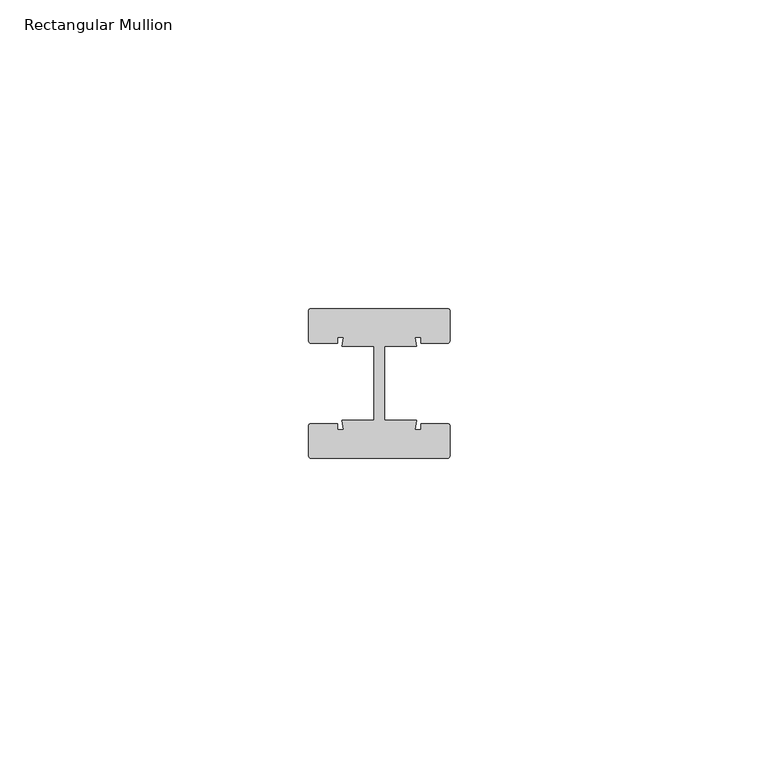
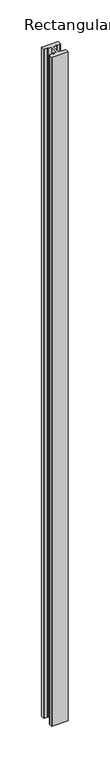
"""IFC4 building model written with IfcOpenShell, lengths in millimetres: member geometry, Rectangular Mullion."""

from ifc_helpers import new_model, si_unit, point, frame, frame_2d, origin, place, context, project, spatial, polyline, circle_curve, trimmed, segment, composite_curve, outline, extrude, source, transform, mapped, element, save


def rectangular_mullion_2b86d2cf(model_context):
    return source(origin(), model_context, "Body", "SweptSolid", [
        extrude(outline(composite_curve([segment(trimmed(circle_curve(frame_2d((-11.0, 11.64)), 0.5), [point((-11.5, 11.64))], [point((-11.0, 12.14))], False, "CARTESIAN"), True, "CONTINUOUS"), segment(polyline([(-11.0, 12.14), (11.0, 12.14)]), True, "CONTINUOUS"), segment(trimmed(circle_curve(frame_2d((11.0, 11.64)), 0.5), [point((11.0, 12.14))], [point((11.5, 11.64))], False, "CARTESIAN"), True, "CONTINUOUS"), segment(polyline([(11.5, 11.64), (11.5, 7.0)]), True, "CONTINUOUS"), segment(trimmed(circle_curve(frame_2d((11.0, 7.0)), 0.5), [point((11.5, 7.0))], [point((11.0, 6.5))], False, "CARTESIAN"), True, "CONTINUOUS"), segment(polyline([(11.0, 6.5), (6.75, 6.5), (6.75, 7.5), (5.7984177, 7.5), (6.0, 6.0), (0.840625, 6.0), (0.840625, -6.0), (6.0, -6.0), (5.7984177, -7.5), (6.75, -7.5), (6.75, -6.5), (11.0, -6.5)]), True, "CONTINUOUS"), segment(trimmed(circle_curve(frame_2d((11.0, -7.0)), 0.5), [point((11.0, -6.5))], [point((11.5, -7.0))], False, "CARTESIAN"), True, "CONTINUOUS"), segment(polyline([(11.5, -7.0), (11.5, -11.64)]), True, "CONTINUOUS"), segment(trimmed(circle_curve(frame_2d((11.0, -11.64)), 0.5), [point((11.5, -11.64))], [point((11.0, -12.14))], False, "CARTESIAN"), True, "CONTINUOUS"), segment(polyline([(11.0, -12.14), (-11.0, -12.14)]), True, "CONTINUOUS"), segment(trimmed(circle_curve(frame_2d((-11.0, -11.64)), 0.5), [point((-11.0, -12.14))], [point((-11.5, -11.64))], False, "CARTESIAN"), True, "CONTINUOUS"), segment(polyline([(-11.5, -11.64), (-11.5, -7.0)]), True, "CONTINUOUS"), segment(trimmed(circle_curve(frame_2d((-11.0, -7.0)), 0.5), [point((-11.5, -7.0))], [point((-11.0, -6.5))], False, "CARTESIAN"), True, "CONTINUOUS"), segment(polyline([(-11.0, -6.5), (-6.75, -6.5), (-6.75, -7.5), (-5.7984177, -7.5), (-6.0, -6.0), (-0.840625, -6.0), (-0.840625, 6.0), (-6.0, 6.0), (-5.7984177, 7.5), (-6.75, 7.5), (-6.75, 6.5), (-11.0, 6.5)]), True, "CONTINUOUS"), segment(trimmed(circle_curve(frame_2d((-11.0, 7.0)), 0.5), [point((-11.0, 6.5))], [point((-11.5, 7.0))], False, "CARTESIAN"), True, "CONTINUOUS"), segment(polyline([(-11.5, 7.0), (-11.5, 11.64)]), True, "CONTINUOUS")], self_intersect=False)), frame((0.0, 0.0, -979.1), z_axis=(0.0, 0.0, 1.0), x_axis=(1.0, 0.0, 0.0)), (0.0, 0.0, 1.0), 979.1),
    ])


if __name__ == "__main__":
    model = new_model("IFC4")
    model_context = context("Model", 3, world=origin())
    ifc_project = project(units=[si_unit("LENGTHUNIT", "METRE", prefix="MILLI")], contexts=[model_context])
    site = spatial("IfcSite", under=ifc_project)
    building = spatial("IfcBuilding", under=site)
    placement = place(None, origin())
    rectangular_mullion_shape = rectangular_mullion_2b86d2cf(model_context)
    element("IfcMember", 1, ObjectType="Rectangular Mullion", at=placement, inside=building, context=model_context, shape_type="MappedRepresentation", body=[
        mapped(rectangular_mullion_shape, transform((0.0, 0.0, 0.0), x_axis=(1.0, 0.0, 0.0), y_axis=(0.0, 1.0, 0.0), z_axis=(0.0, 0.0, 1.0))),
    ])
    save(model, "model.ifc")
